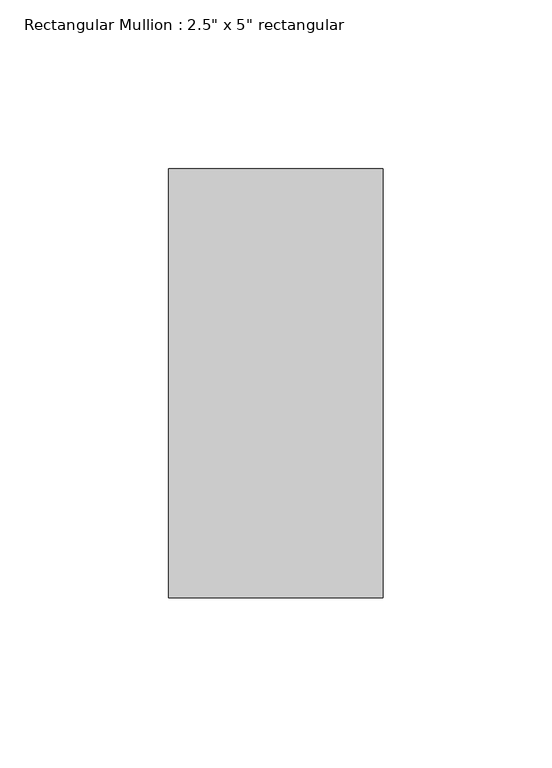
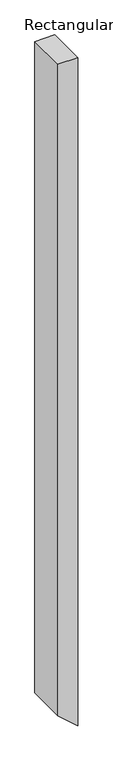
"""IFC4 building model written with IfcOpenShell, lengths in millimetres: member geometry."""

from ifc_helpers import new_model, si_unit, frame, origin, place, context, project, spatial, polyline, outline, extrude, source, transform, mapped, element, save


def member_ddd72e17(model_context):
    return source(origin(), model_context, "Body", "SweptSolid", [
        extrude(outline(polyline([(0.0, 0.0), (0.0, -63.5), (-2192.8719358, -63.5), (-2250.3725598, 0.0), (0.0, 0.0)])), frame((0.0, -63.5, 0.0), z_axis=(0.0, 1.0, 0.0), x_axis=(0.0, 0.0, 1.0)), (0.0, 0.0, 1.0), 127.0),
    ])


if __name__ == "__main__":
    model = new_model("IFC4")
    model_context = context("Model", 3, world=origin())
    ifc_project = project(units=[si_unit("LENGTHUNIT", "METRE", prefix="MILLI")], contexts=[model_context])
    site = spatial("IfcSite", under=ifc_project)
    building = spatial("IfcBuilding", under=site)
    placement = place(None, origin())
    member_shape = member_ddd72e17(model_context)
    element("IfcMember", 1, ObjectType="Rectangular Mullion : 2.5\" x 5\" rectangular", at=placement, inside=building, context=model_context, shape_type="MappedRepresentation", body=[
        mapped(member_shape, transform((0.0, 0.0, 0.0), x_axis=(1.0, 0.0, 0.0), y_axis=(0.0, 1.0, 0.0), z_axis=(0.0, 0.0, 1.0))),
    ])
    save(model, "model.ifc")
